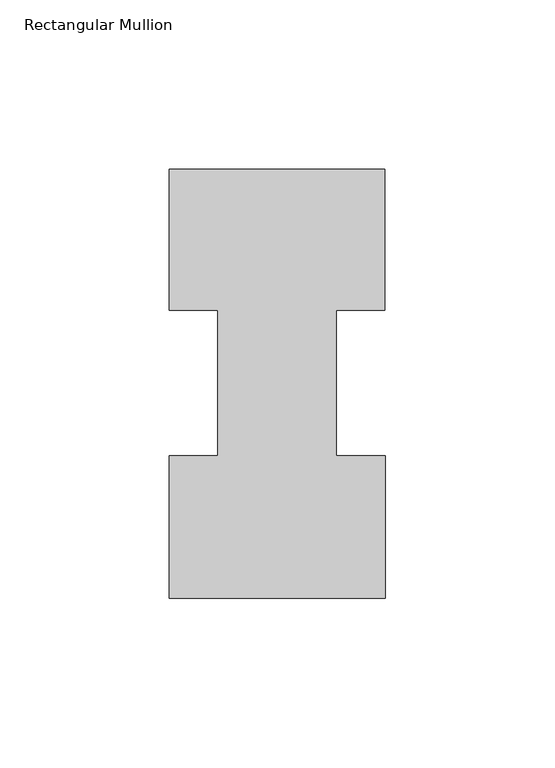
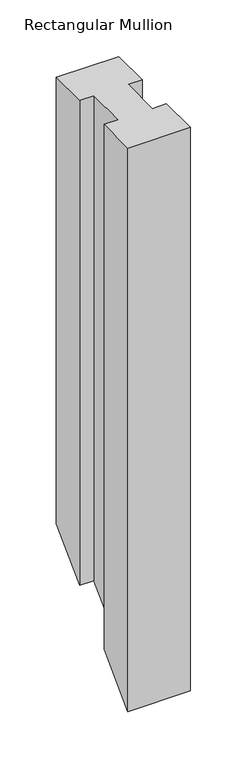
"""IFC4 building model written with IfcOpenShell, lengths in millimetres: member geometry, Rectangular Mullion."""

from ifc_helpers import new_model, si_unit, origin, place, context, project, spatial, faceted_brep, source, transform, mapped, element, save


def rectangular_mullion_3a470fb9(model_context):
    return source(origin(), model_context, "Body", "Brep", [
        faceted_brep([(-63.5, 0.2428875, 0.0), (0.2408142, 0.2428875, 0.0), (0.2408142, 42.2798875, 0.0), (-14.2748, 42.2798875, 0.0), (-14.2748, 85.1296875, 0.0), (0.0, 85.1296875, 0.0), (0.0, 126.7348875, 0.0), (-63.5, 126.7348875, 0.0), (-63.5, 85.1296875, 0.0), (-49.21504, 85.1296875, 0.0), (-49.21504, 42.2798875, 0.0), (-63.5, 42.2798875, 0.0), (-63.5, 0.2428875, -609.3571125), (0.2408142, 0.2428875, -609.3571125), (0.2408142, 42.2798875, -567.3201125), (-14.2748, 42.2798875, -567.3201125), (-14.2748, 85.1296875, -524.4703125), (0.0, 85.1296875, -524.4703125), (0.0, 126.7348875, -482.8651125), (-63.5, 126.7348875, -482.8651125), (-63.5, 85.1296875, -524.4703125), (-49.21504, 85.1296875, -524.4703125), (-49.21504, 42.2798875, -567.3201125), (-63.5, 42.2798875, -567.3201125)], [[[0, 1, 2, 3, 4, 5, 6, 7, 8, 9, 10, 11]], [[1, 0, 12, 13]], [[2, 1, 13, 14]], [[3, 2, 14, 15]], [[4, 3, 15, 16]], [[5, 4, 16, 17]], [[6, 5, 17, 18]], [[7, 6, 18, 19]], [[8, 7, 19, 20]], [[9, 8, 20, 21]], [[10, 9, 21, 22]], [[11, 10, 22, 23]], [[0, 11, 23, 12]], [[12, 23, 22, 21, 20, 19, 18, 17, 16, 15, 14, 13]]]),
    ])


if __name__ == "__main__":
    model = new_model("IFC4")
    model_context = context("Model", 3, world=origin())
    ifc_project = project(units=[si_unit("LENGTHUNIT", "METRE", prefix="MILLI")], contexts=[model_context])
    site = spatial("IfcSite", under=ifc_project)
    building = spatial("IfcBuilding", under=site)
    placement = place(None, origin())
    rectangular_mullion_shape = rectangular_mullion_3a470fb9(model_context)
    element("IfcMember", 1, ObjectType="Rectangular Mullion", at=placement, inside=building, context=model_context, shape_type="MappedRepresentation", body=[
        mapped(rectangular_mullion_shape, transform((0.0, 0.0, 0.0), x_axis=(1.0, 0.0, 0.0), y_axis=(0.0, 1.0, 0.0), z_axis=(0.0, 0.0, 1.0))),
    ])
    save(model, "model.ifc")
